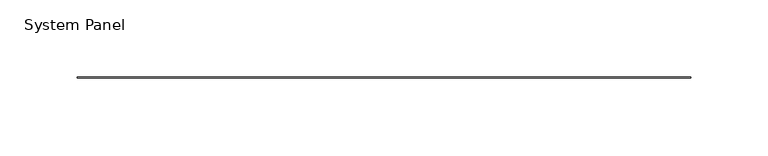
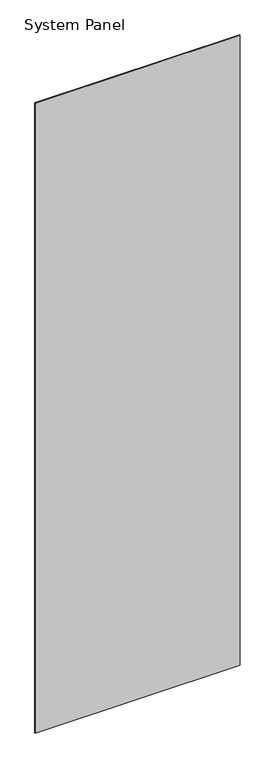
"""IFC4 building model written with IfcOpenShell, lengths in millimetres: plate geometry, System Panel."""

from ifc_helpers import new_model, si_unit, origin, origin_with_axes, place, context, project, spatial, polyline, outline, extrude, source, transform, mapped, element, save


def system_panel_03be1c4b(model_context):
    return source(origin(), model_context, "Body", "SweptSolid", [
        extrude(outline(polyline([(198.1200002, -0.2976563), (-198.1200002, -0.2976563), (-198.1200002, 0.2976563), (198.1200002, 0.2976563), (198.1200002, -0.2976563)])), origin_with_axes(), (0.0, 0.0, 1.0), 1285.875),
    ])


if __name__ == "__main__":
    model = new_model("IFC4")
    model_context = context("Model", 3, world=origin())
    ifc_project = project(units=[si_unit("LENGTHUNIT", "METRE", prefix="MILLI")], contexts=[model_context])
    site = spatial("IfcSite", under=ifc_project)
    building = spatial("IfcBuilding", under=site)
    placement = place(None, origin())
    system_panel_shape = system_panel_03be1c4b(model_context)
    element("IfcPlate", 1, ObjectType="System Panel", at=placement, inside=building, context=model_context, shape_type="MappedRepresentation", body=[
        mapped(system_panel_shape, transform((0.0, 0.0, 0.0), x_axis=(1.0, 0.0, 0.0), y_axis=(0.0, 1.0, 0.0), z_axis=(0.0, 0.0, 1.0))),
    ])
    save(model, "model.ifc")
